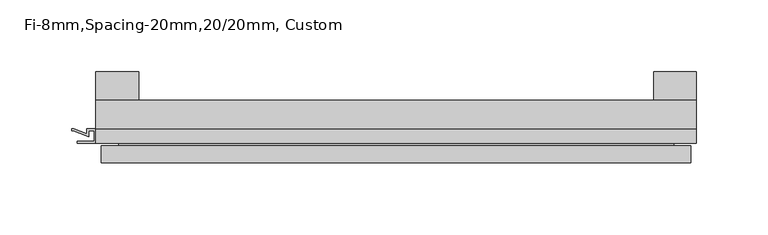
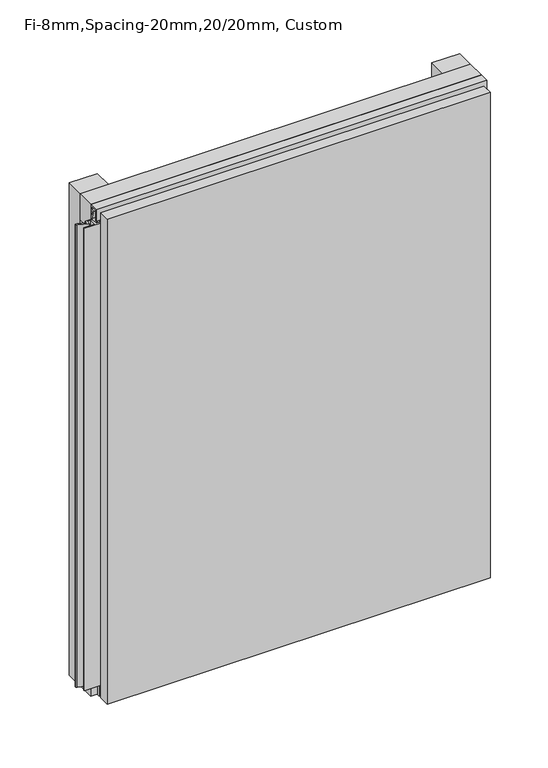
"""IFC4 building model written with IfcOpenShell, lengths in millimetres: plate geometry, Fi-8mm,Spacing-20mm,20/20mm, Custom."""

from ifc_helpers import new_model, si_unit, frame, origin, origin_with_axes, place, context, project, spatial, polyline, outline, extrude, faceted_brep, source, transform, mapped, element, save


def fi_8mm_spacing_20mm_20_20mm_custom_4da512da(model_context):
    return source(origin(), model_context, "Body", "SolidModel", [
        extrude(outline(polyline([(-210.0, -40.0), (-210.0, -20.0), (210.0, -20.0), (210.0, -40.0), (-210.0, -40.0)])), frame((0.0, 0.0, 530.0), z_axis=(0.0, 0.0, 1.0), x_axis=(1.0, 0.0, 0.0)), (0.0, 0.0, 1.0), 30.0),
        extrude(outline(polyline([(-210.0, -40.0), (-210.0, -20.0), (210.0, -20.0), (210.0, -40.0), (-210.0, -40.0)])), origin_with_axes(), (0.0, 0.0, 1.0), 30.0),
        extrude(outline(polyline([(180.0, 0.0), (210.0, 0.0), (210.0, -20.0), (180.0, -20.0), (180.0, 0.0)])), origin_with_axes(), (0.0, 0.0, 1.0), 560.0),
        extrude(outline(polyline([(-180.0, 0.0), (-180.0, -20.0), (-210.0, -20.0), (-210.0, 0.0), (-180.0, 0.0)])), origin_with_axes(), (0.0, 0.0, 1.0), 560.0),
        extrude(outline(polyline([(-40.0, 553.700916), (-43.5, 553.700916), (-40.0553267, 544.6441401), (-40.0553267, 537.008452), (-41.4553267, 537.008452), (-41.4553267, 544.4296606), (-45.5140545, 555.100916), (-41.4, 555.100916), (-41.4, 558.5843193), (-48.7, 558.5843193), (-48.7, 546.5843193), (-50.1, 546.5843193), (-50.1, 560.0), (-40.0, 560.0), (-40.0, 553.700916)])), frame((-210.0, 0.0, 0.0), z_axis=(1.0, 0.0, 0.0), x_axis=(0.0, 1.0, 0.0)), (0.0, 0.0, 1.0), 420.0),
        extrude(outline(polyline([(-210.899084, -48.7), (-210.899084, -41.4), (-214.899084, -41.4), (-214.899084, -45.5140545), (-225.5703394, -41.4553267), (-226.9558599, -41.4553267), (-226.9558599, -40.0553267), (-225.3558599, -40.0553267), (-216.299084, -43.5), (-216.299084, -40.0), (-203.700916, -40.0), (-203.700916, -43.5), (-194.6441401, -40.0553267), (-193.0441401, -40.0553267), (-193.0441401, -41.4553267), (-194.4296606, -41.4553267), (-205.100916, -45.5140545), (-205.100916, -41.4), (-209.100916, -41.4), (-209.100916, -48.7), (-197.100916, -48.7), (-197.100916, -50.1), (-222.899084, -50.1), (-222.899084, -48.7), (-210.899084, -48.7)])), frame((0.0, 0.0, 16.9558599), z_axis=(0.0, 0.0, 1.0), x_axis=(1.0, 0.0, 0.0)), (0.0, 0.0, 1.0), 526.0882802),
        faceted_brep([(206.0, -45.9, 556.0), (-206.0, -45.9, 556.0), (-206.0, -48.7, 556.0), (206.0, -48.7, 556.0), (-206.0, -63.9, 556.0), (206.0, -63.9, 556.0), (206.0, -51.9, 556.0), (-206.0, -51.9, 556.0), (-206.0, -45.9, 4.0), (206.0, -45.9, 4.0), (206.0, -48.7, 4.0), (-206.0, -48.7, 4.0), (206.0, -63.9, 4.0), (-206.0, -63.9, 4.0), (-206.0, -51.9, 4.0), (206.0, -51.9, 4.0), (194.0, -51.9, 544.0), (194.0, -51.9, 16.0), (194.0, -48.7, 16.0), (194.0, -48.7, 544.0), (-194.0, -51.9, 16.0), (-194.0, -48.7, 16.0), (-194.0, -51.9, 544.0), (-194.0, -48.7, 544.0)], [[[0, 1, 2, 3]], [[4, 5, 6, 7]], [[8, 9, 10, 11]], [[12, 13, 14, 15]], [[1, 0, 9, 8]], [[1, 8, 11, 2]], [[13, 4, 7, 14]], [[5, 4, 13, 12]], [[9, 0, 3, 10]], [[5, 12, 15, 6]], [[16, 17, 18, 19]], [[18, 17, 20, 21]], [[21, 20, 22, 23]], [[16, 19, 23, 22]], [[7, 6, 15, 14], [17, 16, 22, 20]], [[3, 2, 11, 10], [19, 18, 21, 23]]]),
    ])


if __name__ == "__main__":
    model = new_model("IFC4")
    model_context = context("Model", 3, world=origin())
    ifc_project = project(units=[si_unit("LENGTHUNIT", "METRE", prefix="MILLI")], contexts=[model_context])
    site = spatial("IfcSite", under=ifc_project)
    building = spatial("IfcBuilding", under=site)
    placement = place(None, origin())
    fi_8mm_spacing_20mm_20_20mm_custom_shape = fi_8mm_spacing_20mm_20_20mm_custom_4da512da(model_context)
    element("IfcPlate", 1, ObjectType="Fi-8mm,Spacing-20mm,20/20mm, Custom", at=placement, inside=building, context=model_context, shape_type="MappedRepresentation", body=[
        mapped(fi_8mm_spacing_20mm_20_20mm_custom_shape, transform((0.0, 0.0, 0.0), x_axis=(1.0, 0.0, 0.0), y_axis=(0.0, 1.0, 0.0), z_axis=(0.0, 0.0, 1.0))),
    ])
    save(model, "model.ifc")
